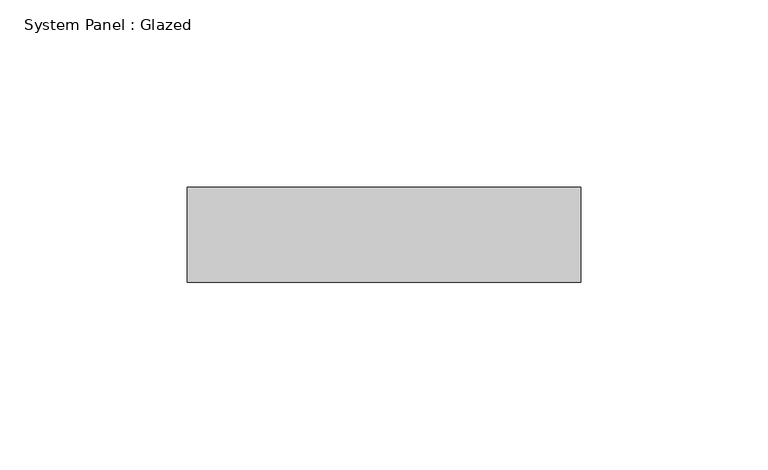
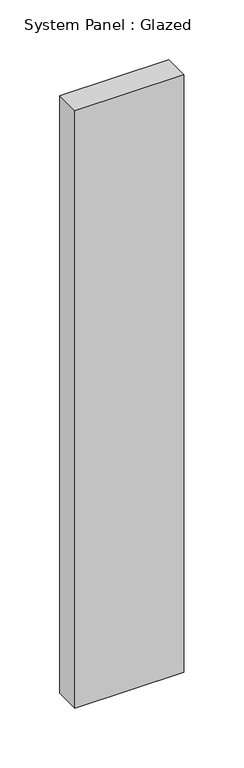
"""IFC4 building model written with IfcOpenShell, lengths in millimetres: plate geometry, System Panel : Glazed."""

from ifc_helpers import new_model, si_unit, origin, origin_with_axes, place, context, project, spatial, polyline, outline, extrude, source, transform, mapped, element, save


def system_panel_glazed_9b11d970(model_context):
    return source(origin(), model_context, "Body", "SweptSolid", [
        extrude(outline(polyline([(52.6236378, 19.05), (-52.6236378, 19.05), (-52.6236378, 44.45), (52.6236378, 44.45), (52.6236378, 19.05)])), origin_with_axes(), (0.0, 0.0, 1.0), 609.6),
    ])


if __name__ == "__main__":
    model = new_model("IFC4")
    model_context = context("Model", 3, world=origin())
    ifc_project = project(units=[si_unit("LENGTHUNIT", "METRE", prefix="MILLI")], contexts=[model_context])
    site = spatial("IfcSite", under=ifc_project)
    building = spatial("IfcBuilding", under=site)
    placement = place(None, origin())
    system_panel_glazed_shape = system_panel_glazed_9b11d970(model_context)
    element("IfcPlate", 1, ObjectType="System Panel : Glazed", at=placement, inside=building, context=model_context, shape_type="MappedRepresentation", body=[
        mapped(system_panel_glazed_shape, transform((0.0, 0.0, 0.0), x_axis=(1.0, 0.0, 0.0), y_axis=(0.0, 1.0, 0.0), z_axis=(0.0, 0.0, 1.0))),
    ])
    save(model, "model.ifc")
